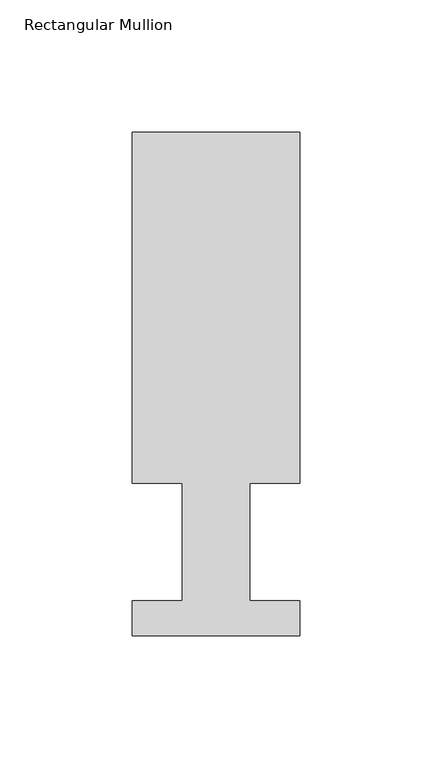
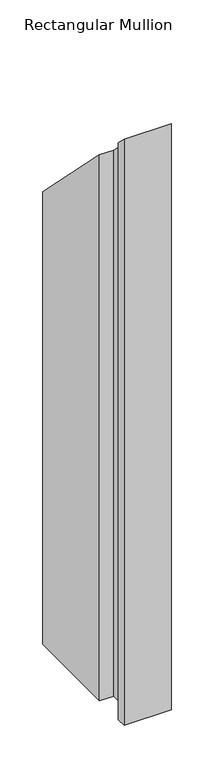
"""IFC4 building model written with IfcOpenShell, lengths in millimetres: member geometry, Rectangular Mullion."""

from ifc_helpers import new_model, si_unit, origin, place, context, project, spatial, faceted_brep, source, transform, mapped, element, save


def rectangular_mullion_a4e61f27(model_context):
    return source(origin(), model_context, "Body", "Brep", [
        faceted_brep([(-63.5, 190.5896938, -838.2), (0.0, 190.5896938, -838.2), (0.0, 57.6460937, -838.2), (-19.0373, 57.6460937, -838.2), (-19.0373, 13.1960938, -838.2), (0.0, 13.1960938, -838.2), (0.0, 0.0134938, -838.2), (-63.5, 0.0134938, -838.2), (-63.5, 13.1960938, -838.2), (-44.45, 13.1960938, -838.2), (-44.45, 57.6460937, -838.2), (-63.5, 57.6460937, -838.2), (-63.5, 57.6460937, -57.6460938), (-63.5, 190.5896938, -190.5896938), (-44.45, 57.6460937, -57.6460938), (-44.45, 13.1960938, -13.1960938), (-63.5, 13.1960938, -13.1960938), (-63.5, 0.0134938, -0.0134938), (0.0, 0.0134938, -0.0134938), (0.0, 13.1960938, -13.1960938), (-19.0373, 13.1960938, -13.1960938), (-19.0373, 57.6460937, -57.6460938), (0.0, 57.6460937, -57.6460938), (0.0, 190.5896938, -190.5896938)], [[[0, 1, 2, 3, 4, 5, 6, 7, 8, 9, 10, 11]], [[12, 13, 0, 11]], [[14, 12, 11, 10]], [[15, 14, 10, 9]], [[16, 15, 9, 8]], [[17, 16, 8, 7]], [[18, 17, 7, 6]], [[19, 18, 6, 5]], [[20, 19, 5, 4]], [[21, 20, 4, 3]], [[22, 21, 3, 2]], [[23, 22, 2, 1]], [[13, 23, 1, 0]], [[13, 12, 14, 15, 16, 17, 18, 19, 20, 21, 22, 23]]]),
    ])


if __name__ == "__main__":
    model = new_model("IFC4")
    model_context = context("Model", 3, world=origin())
    ifc_project = project(units=[si_unit("LENGTHUNIT", "METRE", prefix="MILLI")], contexts=[model_context])
    site = spatial("IfcSite", under=ifc_project)
    building = spatial("IfcBuilding", under=site)
    placement = place(None, origin())
    rectangular_mullion_shape = rectangular_mullion_a4e61f27(model_context)
    element("IfcMember", 1, ObjectType="Rectangular Mullion", at=placement, inside=building, context=model_context, shape_type="MappedRepresentation", body=[
        mapped(rectangular_mullion_shape, transform((0.0, 0.0, 0.0), x_axis=(1.0, 0.0, 0.0), y_axis=(0.0, 1.0, 0.0), z_axis=(0.0, 0.0, 1.0))),
    ])
    save(model, "model.ifc")
